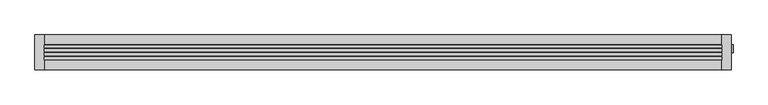
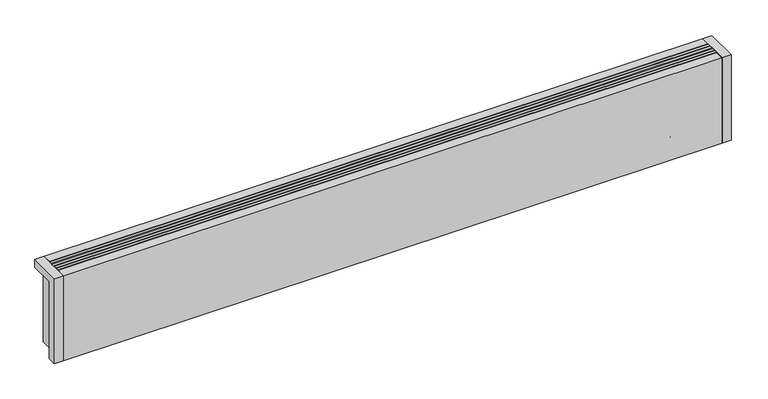
"""IFC4 building model written with IfcOpenShell, lengths in millimetres: proxy geometry."""

from ifc_helpers import new_model, si_unit, point, frame, frame_2d, origin, origin_with_axes, place, context, project, spatial, polyline, circle_curve, ellipse_curve, trimmed, segment, composite_curve, outline, extrude, source, transform, mapped, element, save
from ifc_brep_helpers import plane_surface, cylinder_surface, revolved_surface, advanced_brep


def mechanical_equipment_b42a9f8b(model_context):
    return source(origin(), model_context, "Body", "SolidModel", [
        extrude(outline(composite_curve([segment(trimmed(circle_curve(frame_2d((7.5, 77.0)), 7.5), [point((15.0, 77.0))], [point((0.0, 77.0))], False, "CARTESIAN"), True, "CONTINUOUS"), segment(trimmed(circle_curve(frame_2d((7.5, 77.0)), 7.5), [point((0.0, 77.0))], [point((15.0, 77.0))], False, "CARTESIAN"), True, "CONTINUOUS")], self_intersect=False)), frame((1444.0, 0.0, 0.0), z_axis=(1.0, 0.0, 0.0), x_axis=(0.0, 1.0, 0.0)), (0.0, 0.0, 1.0), 38.0),
        advanced_brep(
        [(1482.0, 7.5, 77.0), (1482.0, 19.8236127, 77.0), (1482.0, -4.8236127, 77.0), (1504.3972754, -1.4373094, 77.0), (1504.3972754, 16.4373094, 77.0), (1504.3972754, 7.5, 77.0)],
        [
            (0, 1),
            (1, 2, circle_curve(frame((1482.0, 7.5, 77.0), z_axis=(-1.0, 0.0, 0.0), x_axis=(0.0, 1.0, 0.0)), 12.3236127)),
            (2, 0),
            (2, 1, circle_curve(frame((1482.0, 7.5, 77.0), z_axis=(-1.0, 0.0, 0.0), x_axis=(0.0, 1.0, 0.0)), 12.3236127)),
            (3, 4, circle_curve(frame((1504.3972754, 7.5, 77.0), z_axis=(1.0, 0.0, 0.0), x_axis=(0.0, 1.0, 0.0)), 8.9373094)),
            (4, 5),
            (5, 3),
            (4, 3, circle_curve(frame((1504.3972754, 7.5, 77.0), z_axis=(1.0, 0.0, 0.0), x_axis=(0.0, 1.0, 0.0)), 8.9373094)),
            (1, 4, circle_curve(frame((1482.930269, -49.7853335, 77.0), z_axis=(0.0, 0.0, -1.0), x_axis=(1.0, 0.0, 0.0)), 69.6151621)),
            (3, 2, circle_curve(frame((1482.930269, 64.7853335, 77.0), z_axis=(0.0, 0.0, -1.0), x_axis=(1.0, 0.0, 0.0)), 69.6151621)),
        ],
        [
            plane_surface(frame((1482.0, 7.5, 77.0), z_axis=(-1.0, 0.0, 0.0), x_axis=(0.0, 1.0, 0.0))),
            plane_surface(frame((1504.3972754, 7.5, 77.0), z_axis=(1.0, 0.0, 0.0), x_axis=(0.0, 1.0, 0.0))),
            revolved_surface(trimmed(ellipse_curve(frame((1482.930269, -49.7853335, 77.0), z_axis=(0.0, 0.0, 1.0), x_axis=(1.0, 0.0, 0.0)), 69.6151621, 69.6151621), [point((1504.3972754, 16.4373094, 77.0))], [point((1482.0, 19.8236127, 77.0))], True, "CARTESIAN"), (1510.1181216, 7.5, 77.0), (-1.0, 0.0, 0.0)),
        ],
        [
            (0, [[1, 2, 3]]),
            (0, [[-3, 4, -1]]),
            (1, [[5, 6, 7]]),
            (1, [[8, -7, -6]]),
            (2, [[-2, 9, -5, 10]]),
            (2, [[-4, -10, -8, -9]]),
        ],
    ),
        advanced_brep(
        [(1350.0, 7.5, 19.5), (1350.0, 7.5, 34.5), (1386.5, 7.5, 19.5), (1401.5, 7.5, 34.5), (1386.5, 7.5, 0.0), (1401.5, 7.5, 0.0)],
        [
            (0, 1, circle_curve(frame((1350.0, 7.5, 27.0), z_axis=(-1.0, 0.0, 0.0), x_axis=(0.0, 0.0, 1.0)), 7.5)),
            (1, 0, circle_curve(frame((1350.0, 7.5, 27.0), z_axis=(-1.0, 0.0, 0.0), x_axis=(0.0, 0.0, 1.0)), 7.5)),
            (0, 2),
            (2, 3, ellipse_curve(frame((1394.0, 7.5, 27.0), z_axis=(-0.7071067811865469, 0.0, 0.707106781186548), x_axis=(-0.7071067811865481, 0.0, -0.7071067811865468)), 10.6066017, 7.5)),
            (3, 1),
            (3, 2, ellipse_curve(frame((1394.0, 7.5, 27.0), z_axis=(-0.7071067811865469, 0.0, 0.707106781186548), x_axis=(-0.7071067811865481, 0.0, -0.7071067811865468)), 10.6066017, 7.5)),
            (4, 5, circle_curve(frame((1394.0, 7.5, 0.0), z_axis=(0.0, 0.0, -1.0), x_axis=(1.0, 0.0, 0.0)), 7.5)),
            (5, 4, circle_curve(frame((1394.0, 7.5, 0.0), z_axis=(0.0, 0.0, -1.0), x_axis=(1.0, 0.0, 0.0)), 7.5)),
            (2, 4),
            (5, 3),
        ],
        [
            plane_surface(frame((1350.0, 7.5, 27.0), z_axis=(-1.0, 0.0, 0.0), x_axis=(0.0, -1.0, 0.0))),
            cylinder_surface(frame((1350.0, 7.5, 27.0), z_axis=(-1.0, 0.0, 0.0), x_axis=(0.0, 0.0, 1.0)), 7.5),
            plane_surface(frame((1394.0, 7.5, 0.0), z_axis=(0.0, 0.0, -1.0), x_axis=(0.0, -1.0, 0.0))),
            cylinder_surface(frame((1394.0, 7.5, 27.0), z_axis=(0.0, 0.0, 1.0), x_axis=(1.0, 0.0, 0.0)), 7.5),
        ],
        [
            (0, [[1, 2]]),
            (1, [[-1, 3, 4, 5]]),
            (1, [[-2, -5, 6, -3]]),
            (2, [[7, 8]]),
            (3, [[-4, 9, -8, 10]]),
            (3, [[-6, -10, -7, -9]]),
        ],
    ),
        advanced_brep(
        [(1350.0, 7.5, 69.5), (1350.0, 7.5, 84.5), (1436.5, 7.5, 69.5), (1451.5, 7.5, 84.5), (1436.5, 7.5, 0.0), (1451.5, 7.5, 0.0)],
        [
            (0, 1, circle_curve(frame((1350.0, 7.5, 77.0), z_axis=(-1.0, 0.0, 0.0), x_axis=(0.0, 0.0, 1.0)), 7.5)),
            (1, 0, circle_curve(frame((1350.0, 7.5, 77.0), z_axis=(-1.0, 0.0, 0.0), x_axis=(0.0, 0.0, 1.0)), 7.5)),
            (0, 2),
            (2, 3, ellipse_curve(frame((1444.0, 7.5, 77.0), z_axis=(-0.7071067811865469, 0.0, 0.707106781186548), x_axis=(-0.7071067811865481, 0.0, -0.7071067811865468)), 10.6066017, 7.5)),
            (3, 1),
            (3, 2, ellipse_curve(frame((1444.0, 7.5, 77.0), z_axis=(-0.7071067811865469, 0.0, 0.707106781186548), x_axis=(-0.7071067811865481, 0.0, -0.7071067811865468)), 10.6066017, 7.5)),
            (4, 5, circle_curve(frame((1444.0, 7.5, 0.0), z_axis=(0.0, 0.0, -1.0), x_axis=(1.0, 0.0, 0.0)), 7.5)),
            (5, 4, circle_curve(frame((1444.0, 7.5, 0.0), z_axis=(0.0, 0.0, -1.0), x_axis=(1.0, 0.0, 0.0)), 7.5)),
            (2, 4),
            (5, 3),
        ],
        [
            plane_surface(frame((1350.0, 7.5, 77.0), z_axis=(-1.0, 0.0, 0.0), x_axis=(0.0, -1.0, 0.0))),
            cylinder_surface(frame((1350.0, 7.5, 77.0), z_axis=(-1.0, 0.0, 0.0), x_axis=(0.0, 0.0, 1.0)), 7.5),
            plane_surface(frame((1444.0, 7.5, 0.0), z_axis=(0.0, 0.0, -1.0), x_axis=(0.0, -1.0, 0.0))),
            cylinder_surface(frame((1444.0, 7.5, 77.0), z_axis=(0.0, 0.0, 1.0), x_axis=(1.0, 0.0, 0.0)), 7.5),
        ],
        [
            (0, [[1, 2]]),
            (1, [[-1, 3, 4, 5]]),
            (1, [[-2, -5, 6, -3]]),
            (2, [[7, 8]]),
            (3, [[-4, 9, -8, 10]]),
            (3, [[-6, -10, -7, -9]]),
        ],
    ),
        extrude(outline(polyline([(20.0, -1.1666667), (1480.0, -1.1666667), (1480.0, -7.1666667), (20.0, -7.1666667), (20.0, -1.1666667)])), frame((0.0, 0.0, 182.0), z_axis=(0.0, 0.0, 1.0), x_axis=(1.0, 0.0, 0.0)), (0.0, 0.0, 1.0), 18.0),
        extrude(outline(polyline([(20.0, 7.1666667), (1480.0, 7.1666667), (1480.0, 1.1666667), (20.0, 1.1666667), (20.0, 7.1666667)])), frame((0.0, 0.0, 182.0), z_axis=(0.0, 0.0, 1.0), x_axis=(1.0, 0.0, 0.0)), (0.0, 0.0, 1.0), 18.0),
        extrude(outline(polyline([(20.0, -9.5), (1480.0, -9.5), (1480.0, -15.5), (20.0, -15.5), (20.0, -9.5)])), frame((0.0, 0.0, 182.0), z_axis=(0.0, 0.0, 1.0), x_axis=(1.0, 0.0, 0.0)), (0.0, 0.0, 1.0), 18.0),
        extrude(outline(polyline([(20.0, 15.5), (1480.0, 15.5), (1480.0, 9.5), (20.0, 9.5), (20.0, 15.5)])), frame((0.0, 0.0, 182.0), z_axis=(0.0, 0.0, 1.0), x_axis=(1.0, 0.0, 0.0)), (0.0, 0.0, 1.0), 18.0),
        extrude(outline(polyline([(1480.0, 17.5), (20.0, 17.5), (20.0, 37.5), (1480.0, 37.5), (1480.0, 17.5)])), origin_with_axes(), (0.0, 0.0, 1.0), 181.0),
        advanced_brep(
        [(1480.0, -37.5, 200.0), (1500.0, -37.5, 200.0), (1500.0, 37.5, 200.0), (1480.0, 37.5, 200.0), (20.0, 37.5, 200.0), (0.0, 37.5, 200.0), (0.0, -37.5, 200.0), (20.0, -37.5, 200.0), (20.0, -37.5, 0.0), (0.0, -37.5, 0.0), (0.0, -17.5, 0.0), (18.0, -17.5, 0.0), (18.0, 37.5, 0.0), (20.0, 37.5, 0.0), (20.0, 17.5, 0.0), (1480.0, 17.5, 0.0), (1480.0, 37.5, 0.0), (1482.0, 37.5, 0.0), (1482.0, -17.5, 0.0), (1500.0, -17.5, 0.0), (1500.0, -37.5, 0.0), (1480.0, -37.5, 0.0), (1480.0, -17.5, 0.0), (20.0, -17.5, 0.0), (1386.5, 7.5, 0.0), (1401.5, 7.5, 0.0), (1436.5, 7.5, 0.0), (1451.5, 7.5, 0.0), (20.0, -17.5, 181.0), (20.0, 17.5, 181.0), (1480.0, -17.5, 20.0), (1350.0, -17.5, 20.0), (1350.0, -17.5, 181.0), (1480.0, 17.5, 20.0), (1480.0, 14.6414284, 20.0), (1480.0, 17.5, 27.0), (1480.0, -2.5, 27.0), (1480.0, 0.3585716, 20.0), (1480.0, -2.5, 77.0), (1480.0, 17.5, 77.0), (1500.0, -17.5, 181.0), (1500.0, 37.5, 181.0), (1482.0, 37.5, 181.0), (1350.0, 17.5, 181.0), (1350.0, 17.5, 20.0), (18.0, 37.5, 181.0), (0.0, 37.5, 181.0), (0.0, -17.5, 181.0), (1482.0, -17.5, 181.0), (1482.0, 17.5, 27.0), (1482.0, -2.5, 27.0), (1482.0, 17.5, 77.0), (1482.0, -2.5, 77.0), (18.0, -17.5, 181.0), (1386.5, 7.5, 5.0), (1401.5, 7.5, 5.0), (1436.5, 7.5, 5.0), (1451.5, 7.5, 5.0)],
        [
            (0, 1),
            (1, 2),
            (2, 3),
            (3, 0),
            (4, 5),
            (5, 6),
            (6, 7),
            (7, 4),
            (8, 9),
            (9, 10),
            (10, 11),
            (11, 12),
            (12, 13),
            (13, 14),
            (14, 15),
            (15, 16),
            (16, 17),
            (17, 18),
            (18, 19),
            (19, 20),
            (20, 21),
            (21, 22),
            (22, 23),
            (23, 8),
            (24, 25, circle_curve(frame((1394.0, 7.5, 0.0), z_axis=(0.0, 0.0, 1.0), x_axis=(1.0, 0.0, 0.0)), 7.5)),
            (25, 24, circle_curve(frame((1394.0, 7.5, 0.0), z_axis=(0.0, 0.0, 1.0), x_axis=(1.0, 0.0, 0.0)), 7.5)),
            (26, 27, circle_curve(frame((1444.0, 7.5, 0.0), z_axis=(0.0, 0.0, 1.0), x_axis=(1.0, 0.0, 0.0)), 7.5)),
            (27, 26, circle_curve(frame((1444.0, 7.5, 0.0), z_axis=(0.0, 0.0, 1.0), x_axis=(1.0, 0.0, 0.0)), 7.5)),
            (13, 4),
            (7, 8),
            (23, 28),
            (28, 29),
            (29, 14),
            (22, 30),
            (30, 31),
            (31, 32),
            (32, 28),
            (15, 33),
            (33, 34),
            (34, 35, circle_curve(frame((1480.0, 7.5, 27.0), z_axis=(1.0, 0.0, 0.0), x_axis=(0.0, 1.0, 0.0)), 10.0)),
            (35, 36, circle_curve(frame((1480.0, 7.5, 27.0), z_axis=(1.0, 0.0, 0.0), x_axis=(0.0, 1.0, 0.0)), 10.0)),
            (36, 37, circle_curve(frame((1480.0, 7.5, 27.0), z_axis=(1.0, 0.0, 0.0), x_axis=(0.0, 1.0, 0.0)), 10.0)),
            (37, 30),
            (21, 0),
            (3, 16),
            (38, 39, circle_curve(frame((1480.0, 7.5, 77.0), z_axis=(1.0, 0.0, 0.0), x_axis=(0.0, 1.0, 0.0)), 10.0)),
            (39, 38, circle_curve(frame((1480.0, 7.5, 77.0), z_axis=(1.0, 0.0, 0.0), x_axis=(0.0, 1.0, 0.0)), 10.0)),
            (20, 1),
            (19, 40),
            (40, 41),
            (41, 2),
            (41, 42),
            (42, 17),
            (29, 43),
            (43, 44),
            (44, 33),
            (12, 45),
            (45, 46),
            (46, 5),
            (46, 47),
            (47, 10),
            (9, 6),
            (32, 43),
            (44, 31),
            (37, 34),
            (40, 48),
            (48, 42),
            (48, 18),
            (49, 50, circle_curve(frame((1482.0, 7.5, 27.0), z_axis=(-1.0, 0.0, 0.0), x_axis=(0.0, 1.0, 0.0)), 10.0)),
            (50, 49, circle_curve(frame((1482.0, 7.5, 27.0), z_axis=(-1.0, 0.0, 0.0), x_axis=(0.0, 1.0, 0.0)), 10.0)),
            (51, 52, circle_curve(frame((1482.0, 7.5, 77.0), z_axis=(-1.0, 0.0, 0.0), x_axis=(0.0, 1.0, 0.0)), 10.0)),
            (52, 51, circle_curve(frame((1482.0, 7.5, 77.0), z_axis=(-1.0, 0.0, 0.0), x_axis=(0.0, 1.0, 0.0)), 10.0)),
            (45, 53),
            (53, 47),
            (11, 53),
            (37, 34, circle_curve(frame((1480.0, 7.5, 27.0), z_axis=(1.0, 0.0, 0.0), x_axis=(0.0, 1.0, 0.0)), 10.0)),
            (36, 50),
            (49, 35),
            (38, 52),
            (51, 39),
            (54, 55, circle_curve(frame((1394.0, 7.5, 5.0), z_axis=(0.0, 0.0, -1.0), x_axis=(1.0, 0.0, 0.0)), 7.5)),
            (55, 54, circle_curve(frame((1394.0, 7.5, 5.0), z_axis=(0.0, 0.0, -1.0), x_axis=(1.0, 0.0, 0.0)), 7.5)),
            (56, 57, circle_curve(frame((1444.0, 7.5, 5.0), z_axis=(0.0, 0.0, -1.0), x_axis=(1.0, 0.0, 0.0)), 7.5)),
            (57, 56, circle_curve(frame((1444.0, 7.5, 5.0), z_axis=(0.0, 0.0, -1.0), x_axis=(1.0, 0.0, 0.0)), 7.5)),
            (55, 25),
            (24, 54),
            (57, 27),
            (26, 56),
        ],
        [
            plane_surface(frame((20.0, -37.5, 200.0), z_axis=(0.0, 0.0, 1.0), x_axis=(0.0, 1.0, 0.0))),
            plane_surface(frame((20.0, -37.5, 0.0), z_axis=(0.0, 0.0, -1.0), x_axis=(0.0, -1.0, 0.0))),
            plane_surface(frame((20.0, -37.5, 200.0), z_axis=(1.0, 0.0, 0.0), x_axis=(0.0, 0.0, -1.0))),
            plane_surface(frame((20.0, -17.5, 200.0), z_axis=(0.0, -1.0, 0.0), x_axis=(0.0, 0.0, -1.0))),
            plane_surface(frame((1480.0, -17.5, 200.0), z_axis=(-1.0, 0.0, 0.0), x_axis=(0.0, 0.0, -1.0))),
            plane_surface(frame((1480.0, -37.5, 200.0), z_axis=(0.0, -1.0, 0.0), x_axis=(0.0, 0.0, -1.0))),
            plane_surface(frame((1500.0, -37.5, 200.0), z_axis=(1.0, 0.0, 0.0), x_axis=(0.0, 0.0, -1.0))),
            plane_surface(frame((1500.0, 37.5, 200.0), z_axis=(0.0, 1.0, 0.0), x_axis=(0.0, 0.0, -1.0))),
            plane_surface(frame((1480.0, 17.5, 200.0), z_axis=(0.0, 1.0, 0.0), x_axis=(0.0, 0.0, -1.0))),
            plane_surface(frame((20.0, 37.5, 200.0), z_axis=(0.0, 1.0, 0.0), x_axis=(0.0, 0.0, -1.0))),
            plane_surface(frame((0.0, 37.5, 200.0), z_axis=(-1.0, 0.0, 0.0), x_axis=(0.0, 0.0, -1.0))),
            plane_surface(frame((0.0, -37.5, 200.0), z_axis=(0.0, -1.0, 0.0), x_axis=(0.0, 0.0, -1.0))),
            plane_surface(frame((20.0, 17.5, 181.0), z_axis=(0.0, 0.0, 1.0), x_axis=(1.0, 0.0, 0.0))),
            plane_surface(frame((1350.0, 17.5, 20.0), z_axis=(0.0, 0.0, 1.0), x_axis=(0.0, 1.0, 0.0))),
            plane_surface(frame((1350.0, 17.5, 200.0), z_axis=(1.0, 0.0, 0.0), x_axis=(0.0, 0.0, -1.0))),
            plane_surface(frame((1482.0, 37.5, 181.0), z_axis=(0.0, 0.0, -1.0), x_axis=(0.0, -1.0, 0.0))),
            plane_surface(frame((1482.0, 37.5, 181.0), z_axis=(1.0, 0.0, 0.0), x_axis=(0.0, 0.0, -1.0))),
            plane_surface(frame((1482.0, -17.5, 181.0), z_axis=(0.0, 1.0, 0.0), x_axis=(0.0, 0.0, -1.0))),
            plane_surface(frame((0.0, 37.5, 181.0), z_axis=(0.0, 0.0, -1.0), x_axis=(-1.0, 0.0, 0.0))),
            plane_surface(frame((18.0, -17.5, 181.0), z_axis=(-1.0, 0.0, 0.0), x_axis=(0.0, 0.0, -1.0))),
            plane_surface(frame((0.0, -17.5, 181.0), z_axis=(0.0, 1.0, 0.0), x_axis=(0.0, 0.0, -1.0))),
            plane_surface(frame((1480.0, 17.5, 27.0), z_axis=(1.0, 0.0, 0.0), x_axis=(0.0, 0.0, -1.0))),
            revolved_surface(polyline([(1482.0, 17.5, 27.0), (1480.0, 17.5, 27.0)]), (1480.0, 7.5, 27.0), (1.0, 0.0, 0.0)),
            revolved_surface(polyline([(1482.0, 17.5, 77.0), (1480.0, 17.5, 77.0)]), (0.0, 7.5, 77.0), (1.0, 0.0, 0.0)),
            plane_surface(frame((1401.5, 7.5, 5.0), z_axis=(0.0, 0.0, -1.0), x_axis=(0.0, 1.0, 0.0))),
            revolved_surface(polyline([(1401.5, 7.5, 5.0), (1401.5, 7.5, 0.0)]), (1394.0, 7.5, 0.0), (0.0, 0.0, 1.0)),
            revolved_surface(polyline([(1451.5, 7.5, 5.0), (1451.5, 7.5, 0.0)]), (1444.0, 7.5, 0.0), (0.0, 0.0, 1.0)),
        ],
        [
            (0, [[1, 2, 3, 4]]),
            (0, [[5, 6, 7, 8]]),
            (1, [[9, 10, 11, 12, 13, 14, 15, 16, 17, 18, 19, 20, 21, 22, 23, 24], [25, 26], [27, 28]]),
            (2, [[-14, 29, -8, 30, -24, 31, 32, 33]]),
            (3, [[-23, 34, 35, 36, 37, -31]]),
            (4, [[-16, 38, 39, 40, 41, 42, 43, -34, -22, 44, -4, 45], [46, 47]]),
            (5, [[-1, -44, -21, 48]]),
            (6, [[-2, -48, -20, 49, 50, 51]]),
            (7, [[-3, -51, 52, 53, -17, -45]]),
            (8, [[-15, -33, 54, 55, 56, -38]]),
            (9, [[-5, -29, -13, 57, 58, 59]]),
            (10, [[-6, -59, 60, 61, -10, 62]]),
            (11, [[-7, -62, -9, -30]]),
            (12, [[-32, -37, 63, -54]]),
            (13, [[64, -35, -43, 65, -39, -56]]),
            (14, [[-64, -55, -63, -36]]),
            (15, [[66, 67, -52, -50]]),
            (16, [[-67, 68, -18, -53], [69, 70], [71, 72]]),
            (17, [[-66, -49, -19, -68]]),
            (18, [[73, 74, -60, -58]]),
            (19, [[-73, -57, -12, 75]]),
            (20, [[-74, -75, -11, -61]]),
            (21, [[76, -65]]),
            (22, [[-76, -42, 77, -69, 78, -40]]),
            (22, [[-77, -41, -78, -70]]),
            (23, [[79, -71, 80, -46]]),
            (23, [[-79, -47, -80, -72]]),
            (24, [[81, 82]]),
            (24, [[83, 84]]),
            (25, [[-82, 85, -25, 86]]),
            (25, [[-81, -86, -26, -85]]),
            (26, [[-84, 87, -27, 88]]),
            (26, [[-83, -88, -28, -87]]),
        ],
    ),
        extrude(outline(polyline([(1480.0, 17.5), (20.0, 17.5), (20.0, 37.5), (1480.0, 37.5), (1480.0, 17.5)])), frame((0.0, 0.0, 181.0), z_axis=(0.0, 0.0, 1.0), x_axis=(1.0, 0.0, 0.0)), (0.0, 0.0, 1.0), 19.0),
        extrude(outline(polyline([(1480.0, -37.5), (20.0, -37.5), (20.0, -17.5), (1480.0, -17.5), (1480.0, -37.5)])), origin_with_axes(), (0.0, 0.0, 1.0), 200.0),
        extrude(outline(composite_curve([segment(trimmed(circle_curve(frame_2d((7.5, 77.0)), 10.0), [point((-2.5, 77.0))], [point((17.5, 77.0))], False, "CARTESIAN"), True, "CONTINUOUS"), segment(trimmed(circle_curve(frame_2d((7.5, 77.0)), 10.0), [point((17.5, 77.0))], [point((-2.5, 77.0))], False, "CARTESIAN"), True, "CONTINUOUS")], self_intersect=False)), frame((1480.0, 0.0, 0.0), z_axis=(1.0, 0.0, 0.0), x_axis=(0.0, 1.0, 0.0)), (0.0, 0.0, 1.0), 2.0),
        extrude(outline(composite_curve([segment(trimmed(circle_curve(frame_2d((7.5, 27.0)), 10.0), [point((-2.5, 27.0))], [point((17.5, 27.0))], False, "CARTESIAN"), True, "CONTINUOUS"), segment(trimmed(circle_curve(frame_2d((7.5, 27.0)), 10.0), [point((17.5, 27.0))], [point((-2.5, 27.0))], False, "CARTESIAN"), True, "CONTINUOUS")], self_intersect=False)), frame((1480.0, 0.0, 0.0), z_axis=(1.0, 0.0, 0.0), x_axis=(0.0, 1.0, 0.0)), (0.0, 0.0, 1.0), 2.0),
    ])


if __name__ == "__main__":
    model = new_model("IFC4")
    model_context = context("Model", 3, world=origin())
    ifc_project = project(units=[si_unit("LENGTHUNIT", "METRE", prefix="MILLI")], contexts=[model_context])
    site = spatial("IfcSite", under=ifc_project)
    building = spatial("IfcBuilding", under=site)
    placement = place(None, origin())
    mechanical_equipment_shape = mechanical_equipment_b42a9f8b(model_context)
    element("IfcBuildingElementProxy", 1, Name="Mechanical Equipment", at=placement, inside=building, context=model_context, shape_type="MappedRepresentation", body=[
        mapped(mechanical_equipment_shape, transform((0.0, 0.0, 0.0), x_axis=(1.0, 0.0, 0.0), y_axis=(0.0, 1.0, 0.0), z_axis=(0.0, 0.0, 1.0))),
    ])
    save(model, "model.ifc")
